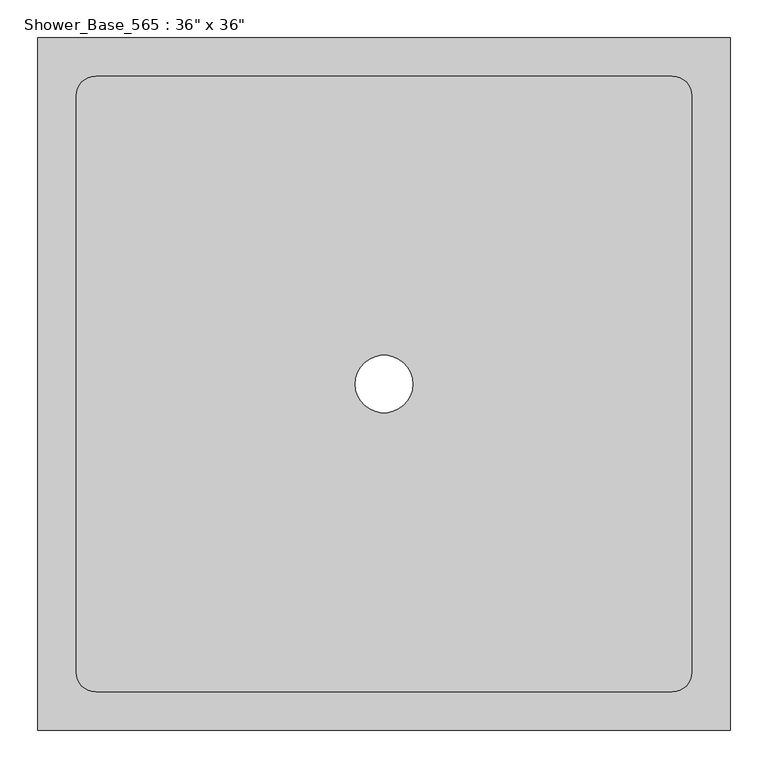
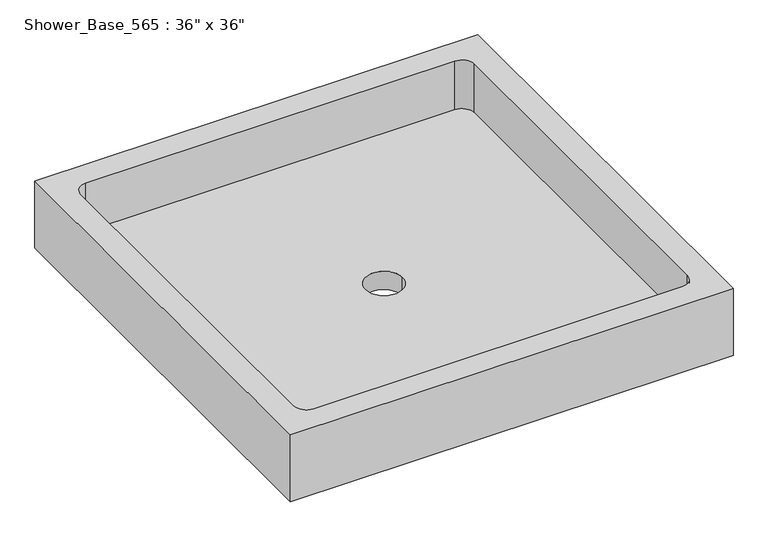
"""IFC4 building model written with IfcOpenShell, lengths in millimetres: flow terminal geometry."""

import ifcopenshell
import ifcopenshell.guid

model = None  # the IFC model being written
_history = None  # IfcOwnerHistory: only IFC2X3 demands one
_inside = {}  # id of a spatial element -> (the spatial element, [elements in it])
_under = {}  # id of a project, library or spatial element -> (it, [spatial elements below it])
_declared = {}  # id of a project -> (the project, [libraries it declares])
_typed = {}  # id of a type object -> (the type object, [elements of that type])
_made_of = {}  # id of a material, layer set ... -> (it, [elements and type objects made of it])


def new_model(schema):
    """Start an empty IFC model of exactly this schema.

    Asked for "IFC4X3", IfcOpenShell would pick the latest addendum, in which some entities
    have other attributes; the version numbers below select the first issue.
    IFC2X3 requires an IfcOwnerHistory on every rooted entity: one is made here for all.
    """
    global model, _history
    if schema == "IFC4X3":
        model = ifcopenshell.file(schema_version=(4, 3, 0, 0))
    else:
        model = ifcopenshell.file(schema=schema)
    _inside.clear()
    _under.clear()
    _declared.clear()
    _typed.clear()
    _made_of.clear()
    _history = None
    if model.schema == "IFC2X3":
        org = make("IfcOrganization", Name="unknown")
        user = make(
            "IfcPersonAndOrganization",
            ThePerson=make("IfcPerson", FamilyName="unknown"),
            TheOrganization=org,
        )
        app = make(
            "IfcApplication",
            ApplicationDeveloper=org,
            Version="unknown",
            ApplicationFullName="unknown",
            ApplicationIdentifier="unknown",
        )
        _history = make(
            "IfcOwnerHistory",
            OwningUser=user,
            OwningApplication=app,
            ChangeAction="ADDED",
            CreationDate=0,
        )
    return model


def make(cls, **values):
    """One entity of the class cls with the attributes given. An attribute that is None is left unset."""
    return model.create_entity(
        cls, **{name: value for name, value in values.items() if value is not None}
    )


def rooted(cls, **values):
    """An entity with a GlobalId (a new one), such as an element, a storey or a relation."""
    return make(cls, GlobalId=ifcopenshell.guid.new(), OwnerHistory=_history, **values)


def si_unit(unit_type, name, prefix=None):
    """IfcSIUnit, for example si_unit("LENGTHUNIT", "METRE", prefix="MILLI")."""
    return make("IfcSIUnit", UnitType=unit_type, Prefix=prefix, Name=name)


def assignment(units):
    """IfcUnitAssignment: the units of a project."""
    return None if units is None else make("IfcUnitAssignment", Units=units)


def point(xyz):
    """IfcCartesianPoint."""
    return None if xyz is None else make("IfcCartesianPoint", Coordinates=xyz)


def direction(xyz):
    """IfcDirection."""
    return None if xyz is None else make("IfcDirection", DirectionRatios=xyz)


def frame(location, z_axis=None, x_axis=None):
    """IfcAxis2Placement3D, a coordinate frame: its origin and axes. An axis left out is left unset."""
    return make(
        "IfcAxis2Placement3D",
        Location=point(location),
        Axis=direction(z_axis),
        RefDirection=direction(x_axis),
    )


def origin():
    """The frame at (0, 0, 0) with its axes left unset."""
    return frame((0.0, 0.0, 0.0))


def origin_with_axes():
    """The frame at (0, 0, 0) with the z axis (0, 0, 1) and the x axis (1, 0, 0) written out."""
    return frame((0.0, 0.0, 0.0), z_axis=(0.0, 0.0, 1.0), x_axis=(1.0, 0.0, 0.0))


def place(relative_to, where):
    """IfcLocalPlacement: puts the frame where relative to a parent placement (None: the world)."""
    return make(
        "IfcLocalPlacement", PlacementRelTo=relative_to, RelativePlacement=where
    )


def context(
    kind, dimensions, precision=None, world=None, true_north=None, identifier=None
):
    """IfcGeometricRepresentationContext, for example the 3D "Model" context."""
    return make(
        "IfcGeometricRepresentationContext",
        ContextIdentifier=identifier,
        ContextType=kind,
        CoordinateSpaceDimension=dimensions,
        Precision=precision,
        WorldCoordinateSystem=world,
        TrueNorth=true_north,
    )


def project(units=None, contexts=None):
    """IfcProject with its units and contexts."""
    return rooted(
        "IfcProject",
        Name="project",
        RepresentationContexts=contexts,
        UnitsInContext=assignment(units),
    )


def spatial(cls, under=None, at=None, **own):
    """A site, building, storey or space (cls), placed at a placement, below another one or the project."""
    s = rooted(cls, ObjectPlacement=at, **own)
    if under is not None:
        _under.setdefault(under.id(), (under, []))[1].append(s)
    return s


def polyline(points):
    """IfcPolyline through the points."""
    return make("IfcPolyline", Points=[point(p) for p in points])


def circle_curve(where, radius):
    """IfcCircle in the frame where."""
    return make("IfcCircle", Position=where, Radius=radius)


def shape(context_of_items, identifier, shape_type, items):
    """IfcShapeRepresentation: the items that make up one representation, for example the "Body"."""
    return make(
        "IfcShapeRepresentation",
        ContextOfItems=context_of_items,
        RepresentationIdentifier=identifier,
        RepresentationType=shape_type,
        Items=items,
    )


def source(mapping_origin, context_of_items, identifier, shape_type, items):
    """IfcRepresentationMap: a shape defined once, which mapped items show again and again."""
    return make(
        "IfcRepresentationMap",
        MappingOrigin=mapping_origin,
        MappedRepresentation=shape(context_of_items, identifier, shape_type, items),
    )


def transform(
    local_origin,
    x_axis=None,
    y_axis=None,
    z_axis=None,
    scale=None,
    scale2=None,
    scale3=None,
    uniform=True,
):
    """IfcCartesianTransformationOperator3D, or its non-uniform kind. x_axis, y_axis, z_axis: its Axis1, 2, 3."""
    if uniform:
        return make(
            "IfcCartesianTransformationOperator3D",
            Axis1=direction(x_axis),
            Axis2=direction(y_axis),
            LocalOrigin=point(local_origin),
            Scale=scale,
            Axis3=direction(z_axis),
        )
    return make(
        "IfcCartesianTransformationOperator3DnonUniform",
        Axis1=direction(x_axis),
        Axis2=direction(y_axis),
        LocalOrigin=point(local_origin),
        Scale=scale,
        Axis3=direction(z_axis),
        Scale2=scale2,
        Scale3=scale3,
    )


def mapped(mapping_source, mapping_target):
    """IfcMappedItem: shows the shape of a source again, moved by a transform."""
    return make(
        "IfcMappedItem", MappingSource=mapping_source, MappingTarget=mapping_target
    )


def made_of(thing, what):
    """Note that an element or type object is made of a material, layer set ...; save() writes the relation."""
    if what is not None:
        _made_of.setdefault(what.id(), (what, []))[1].append(thing)
    return thing


def element(
    cls,
    number,
    at=None,
    inside=None,
    cuts=None,
    type_object=None,
    material=None,
    context=None,
    identifier="Body",
    shape_type=None,
    held_by="IfcProductDefinitionShape",
    body=None,
    shapes=None,
    **own,
):
    """One element of the class cls, such as IfcWall. Its Tag is "e" and its number.

    at: its placement. inside: the storey or other place that contains it. cuts: it is an
    opening in that element (IfcRelVoidsElement). A single representation is given by context,
    identifier, shape_type and body (its items); several are given by shapes. held_by: the class
    of the entity that holds the representations. save() writes the other relations.
    """
    e = rooted(cls, Tag="e%d" % number, ObjectPlacement=at, **own)
    if body is not None:
        shapes = [shape(context, identifier, shape_type, body)]
    if shapes is not None:
        e.Representation = make(held_by, Representations=shapes)
    if inside is not None:
        _inside.setdefault(inside.id(), (inside, []))[1].append(e)
    if cuts is not None:
        rooted(
            "IfcRelVoidsElement", RelatingBuildingElement=cuts, RelatedOpeningElement=e
        )
    if type_object is not None:
        _typed.setdefault(type_object.id(), (type_object, []))[1].append(e)
    return made_of(e, material)


def aggregate(whole, parts):
    """IfcRelAggregates: a whole, such as a stair, and the parts it consists of."""
    return rooted("IfcRelAggregates", RelatingObject=whole, RelatedObjects=parts)


def save(model, path):
    """Write the relations noted so far, then the file.

    IfcRelAggregates (storeys below a building ...), IfcRelContainedInSpatialStructure (elements
    in a storey), IfcRelDefinesByType, IfcRelAssociatesMaterial and IfcRelDeclares: one each for
    every whole, place, type object, material and project.
    """
    for whole, parts in _under.values():
        aggregate(whole, parts)
    for where, things in _inside.values():
        rooted(
            "IfcRelContainedInSpatialStructure",
            RelatedElements=things,
            RelatingStructure=where,
        )
    for kind, things in _typed.values():
        rooted("IfcRelDefinesByType", RelatedObjects=things, RelatingType=kind)
    for what, things in _made_of.values():
        rooted("IfcRelAssociatesMaterial", RelatedObjects=things, RelatingMaterial=what)
    for by, libraries in _declared.values():
        rooted("IfcRelDeclares", RelatingContext=by, RelatedDefinitions=libraries)
    model.write(path)


def plane_surface(at):
    """IfcPlane: the flat surface through the origin of the frame at, square to its z axis."""
    return make("IfcPlane", Position=at)


def revolved_surface(curve, axis_point, axis_direction):
    """IfcSurfaceOfRevolution: the curve turned about the line through axis_point along axis_direction."""
    return make(
        "IfcSurfaceOfRevolution",
        SweptCurve=make("IfcArbitraryOpenProfileDef", ProfileType="CURVE", Curve=curve),
        AxisPosition=make("IfcAxis1Placement", Location=point(axis_point), Axis=direction(axis_direction)),
    )


def advanced_brep(points, edges, surfaces, faces):
    """IfcAdvancedBrep: a solid bounded by faces that lie on surfaces and meet in shared edges.

    An edge is (start, end): straight between two places in points (the first is 0);
    or (start, end, curve); or (start, end, curve, False) where it runs against its curve.
    A face is (place in surfaces, loops), or (place, loops, False) where it looks against
    its surface's normal. A loop lists edges by number (the first is 1), with a minus sign
    where the edge is run from its end to its start. The first loop is the outer one.
    """
    corners = [point(p) for p in points]
    vertices = [make("IfcVertexPoint", VertexGeometry=c) for c in corners]
    made = []
    for start, end, *more in edges:
        made.append(
            make(
                "IfcEdgeCurve",
                EdgeStart=vertices[start],
                EdgeEnd=vertices[end],
                EdgeGeometry=more[0] if more else make("IfcPolyline", Points=[corners[start], corners[end]]),
                SameSense=more[1] if len(more) > 1 else True,
            )
        )
    hull = []
    for where, loops, *sense in faces:
        bounds = []
        for j, loop in enumerate(loops):
            ring = [make("IfcOrientedEdge", EdgeElement=made[abs(k) - 1], Orientation=k > 0) for k in loop]
            bounds.append(
                make(
                    "IfcFaceOuterBound" if j == 0 else "IfcFaceBound",
                    Bound=make("IfcEdgeLoop", EdgeList=ring),
                    Orientation=True,
                )
            )
        hull.append(make("IfcAdvancedFace", Bounds=bounds, FaceSurface=surfaces[where], SameSense=sense[0] if sense else True))
    return make("IfcAdvancedBrep", Outer=make("IfcClosedShell", CfsFaces=hull))


def flow_terminal_54cced83(model_context):
    return source(origin(), model_context, "Body", "AdvancedBrep", [
        advanced_brep(
        [(457.2, 457.2, 146.05), (-457.2, 457.2, 146.05), (-457.2, -457.2, 146.05), (457.2, -457.2, 146.05), (406.4, -381.0, 146.05), (381.0, -406.4, 146.05), (-381.0, -406.4, 146.05), (-406.4, -381.0, 146.05), (-406.4, 381.0, 146.05), (-381.0, 406.4, 146.05), (381.0, 406.4, 146.05), (406.4, 381.0, 146.05), (457.2, 457.2, 0.0), (457.2, -457.2, 0.0), (-457.2, -457.2, 0.0), (-457.2, 457.2, 0.0), (-38.1, 0.0, 0.0), (38.1, 0.0, 0.0), (381.0, -406.4, 39.8652193), (406.4, -381.0, 39.8652193), (406.4, 381.0, 39.8652193), (381.0, 406.4, 39.8652193), (-381.0, 406.4, 39.8652193), (-406.4, 381.0, 39.8652193), (-406.4, -381.0, 39.8652193), (-381.0, -406.4, 39.8652193), (38.1, 0.0, 39.8652193), (-38.1, 0.0, 39.8652193)],
        [
            (0, 1),
            (1, 2),
            (2, 3),
            (3, 0),
            (4, 5, circle_curve(frame((381.0, -381.0, 146.05), z_axis=(0.0, 0.0, -1.0), x_axis=(1.0, 0.0, 0.0)), 25.4)),
            (5, 6),
            (6, 7, circle_curve(frame((-381.0, -381.0, 146.05), z_axis=(0.0, 0.0, -1.0), x_axis=(1.0, 0.0, 0.0)), 25.4)),
            (7, 8),
            (8, 9, circle_curve(frame((-381.0, 381.0, 146.05), z_axis=(0.0, 0.0, -1.0), x_axis=(1.0, 0.0, 0.0)), 25.4)),
            (9, 10),
            (10, 11, circle_curve(frame((381.0, 381.0, 146.05), z_axis=(0.0, 0.0, -1.0), x_axis=(1.0, 0.0, 0.0)), 25.4)),
            (11, 4),
            (12, 13),
            (13, 14),
            (14, 15),
            (15, 12),
            (16, 17, circle_curve(origin_with_axes(), 38.1)),
            (17, 16, circle_curve(origin_with_axes(), 38.1)),
            (0, 12),
            (15, 1),
            (14, 2),
            (13, 3),
            (18, 19, circle_curve(frame((381.0, -381.0, 39.8652193), z_axis=(0.0, 0.0, 1.0), x_axis=(1.0, 0.0, 0.0)), 25.4)),
            (19, 20),
            (20, 21, circle_curve(frame((381.0, 381.0, 39.8652193), z_axis=(0.0, 0.0, 1.0), x_axis=(1.0, 0.0, 0.0)), 25.4)),
            (21, 22),
            (22, 23, circle_curve(frame((-381.0, 381.0, 39.8652193), z_axis=(0.0, 0.0, 1.0), x_axis=(1.0, 0.0, 0.0)), 25.4)),
            (23, 24),
            (24, 25, circle_curve(frame((-381.0, -381.0, 39.8652193), z_axis=(0.0, 0.0, 1.0), x_axis=(1.0, 0.0, 0.0)), 25.4)),
            (25, 18),
            (26, 27, circle_curve(frame((0.0, 0.0, 39.8652193), z_axis=(0.0, 0.0, -1.0), x_axis=(1.0, 0.0, 0.0)), 38.1)),
            (27, 26, circle_curve(frame((0.0, 0.0, 39.8652193), z_axis=(0.0, 0.0, -1.0), x_axis=(1.0, 0.0, 0.0)), 38.1)),
            (18, 5),
            (4, 19),
            (11, 20),
            (10, 21),
            (9, 22),
            (8, 23),
            (7, 24),
            (6, 25),
            (16, 27),
            (26, 17),
        ],
        [
            plane_surface(frame((-457.2, 457.2, 146.05), z_axis=(0.0, 0.0, 1.0), x_axis=(-1.0, 0.0, 0.0))),
            plane_surface(frame((-457.2, 457.2, 0.0), z_axis=(0.0, 0.0, -1.0), x_axis=(1.0, 0.0, 0.0))),
            plane_surface(frame((457.2, 457.2, 146.05), z_axis=(0.0, 1.0, 0.0), x_axis=(0.0, 0.0, -1.0))),
            plane_surface(frame((-457.2, 457.2, 146.05), z_axis=(-1.0, 0.0, 0.0), x_axis=(0.0, 0.0, -1.0))),
            plane_surface(frame((-457.2, -457.2, 146.05), z_axis=(0.0, -1.0, 0.0), x_axis=(0.0, 0.0, -1.0))),
            plane_surface(frame((457.2, -457.2, 146.05), z_axis=(1.0, 0.0, 0.0), x_axis=(0.0, 0.0, -1.0))),
            plane_surface(frame((406.4, -381.0, 39.8652193), z_axis=(0.0, 0.0, 1.0), x_axis=(0.0, -1.0, 0.0))),
            revolved_surface(polyline([(406.4, -381.0, 146.05), (406.4, -381.0, 39.8652193)]), (381.0, -381.0, 39.8652193), (0.0, 0.0, 1.0)),
            plane_surface(frame((406.4, -381.0, 146.05), z_axis=(-1.0, 0.0, 0.0), x_axis=(0.0, 0.0, -1.0))),
            revolved_surface(polyline([(406.4, 381.0, 146.05), (406.4, 381.0, 39.8652193)]), (381.0, 381.0, 39.8652193), (0.0, 0.0, 1.0)),
            plane_surface(frame((381.0, 406.4, 146.05), z_axis=(0.0, -1.0, 0.0), x_axis=(0.0, 0.0, -1.0))),
            revolved_surface(polyline([(-355.6, 381.0, 146.05), (-355.6, 381.0, 39.8652193)]), (-381.0, 381.0, 39.8652193), (0.0, 0.0, 1.0)),
            plane_surface(frame((-406.4, 381.0, 146.05), z_axis=(1.0, 0.0, 0.0), x_axis=(0.0, 0.0, -1.0))),
            revolved_surface(polyline([(-355.6, -381.0, 146.05), (-355.6, -381.0, 39.8652193)]), (-381.0, -381.0, 39.8652193), (0.0, 0.0, 1.0)),
            plane_surface(frame((-381.0, -406.4, 146.05), z_axis=(0.0, 1.0, 0.0), x_axis=(0.0, 0.0, -1.0))),
            revolved_surface(polyline([(38.1, 0.0, 39.8652193), (38.1, 0.0, 0.0)]), (0.0, 0.0, 0.0), (0.0, 0.0, 1.0)),
        ],
        [
            (0, [[1, 2, 3, 4], [5, 6, 7, 8, 9, 10, 11, 12]]),
            (1, [[13, 14, 15, 16], [17, 18]]),
            (2, [[-1, 19, -16, 20]]),
            (3, [[-2, -20, -15, 21]]),
            (4, [[-3, -21, -14, 22]]),
            (5, [[-4, -22, -13, -19]]),
            (6, [[23, 24, 25, 26, 27, 28, 29, 30], [31, 32]]),
            (7, [[-23, 33, -5, 34]]),
            (8, [[-24, -34, -12, 35]]),
            (9, [[-25, -35, -11, 36]]),
            (10, [[-26, -36, -10, 37]]),
            (11, [[-27, -37, -9, 38]]),
            (12, [[-28, -38, -8, 39]]),
            (13, [[-29, -39, -7, 40]]),
            (14, [[-30, -40, -6, -33]]),
            (15, [[41, -31, 42, -17]]),
            (15, [[-41, -18, -42, -32]]),
        ],
    ),
    ])


if __name__ == "__main__":
    model = new_model("IFC4")
    model_context = context("Model", 3, world=origin())
    ifc_project = project(units=[si_unit("LENGTHUNIT", "METRE", prefix="MILLI")], contexts=[model_context])
    site = spatial("IfcSite", under=ifc_project)
    building = spatial("IfcBuilding", under=site)
    placement = place(None, origin())
    flow_terminal_shape = flow_terminal_54cced83(model_context)
    element("IfcFlowTerminal", 1, ObjectType="Shower_Base_565 : 36\" x 36\"", at=placement, inside=building, context=model_context, shape_type="MappedRepresentation", body=[
        mapped(flow_terminal_shape, transform((0.0, 0.0, 0.0), x_axis=(1.0, 0.0, 0.0), y_axis=(0.0, 1.0, 0.0), z_axis=(0.0, 0.0, 1.0))),
    ])
    save(model, "model.ifc")
